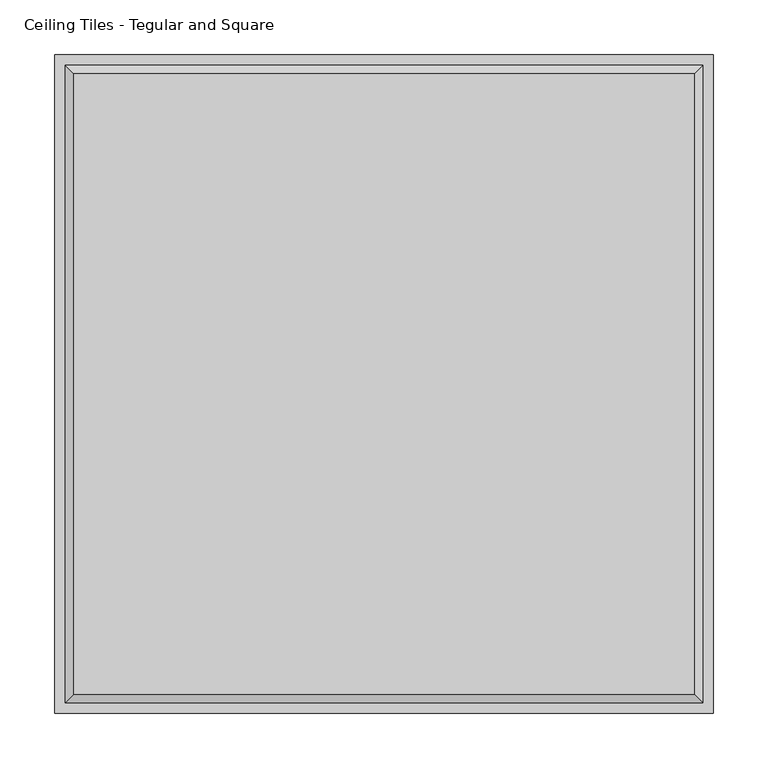
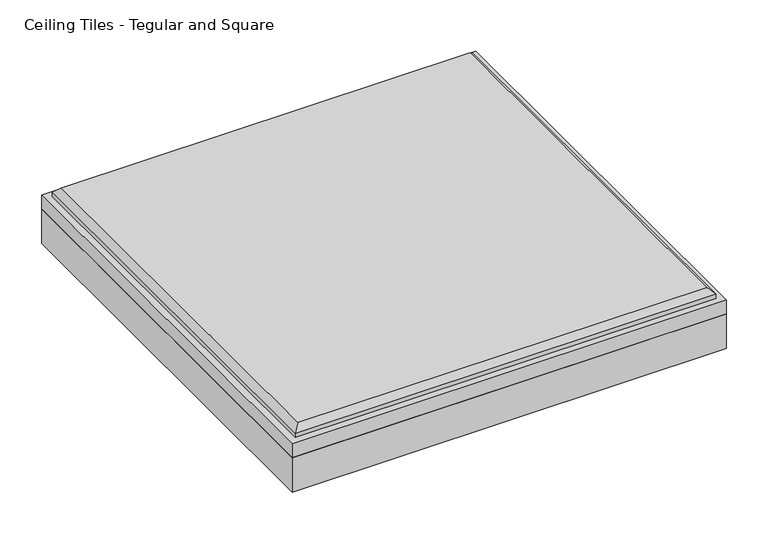
"""IFC4 building model written with IfcOpenShell, lengths in millimetres: proxy geometry, Ceiling Tiles - Tegular and Square."""

from ifc_helpers import new_model, si_unit, origin, origin_with_axes, place, context, project, spatial, polyline, outline, extrude, faceted_brep, source, transform, mapped, element, save


def ceiling_tiles_tegular_and_square_38d3a219(model_context):
    return source(origin(), model_context, "Body", "SolidModel", [
        extrude(outline(polyline([(301.625, 301.625), (301.625, -301.625), (-301.625, -301.625), (-301.625, 301.625), (301.625, 301.625)])), origin_with_axes(), (0.0, 0.0, 1.0), 50.8),
        faceted_brep([(284.099, 284.099, 85.725), (-284.099, 284.099, 85.725), (-284.099, -284.099, 85.725), (284.099, -284.099, 85.725), (-301.625, 301.625, 50.8), (301.625, 301.625, 50.8), (301.625, -301.625, 50.8), (-301.625, -301.625, 50.8), (-301.625, -301.625, 71.4375), (-301.625, 301.625, 71.4375), (301.625, -301.625, 71.4375), (301.625, 301.625, 71.4375), (292.1, 292.1, 77.724), (-292.1, 292.1, 77.724), (-292.1, -292.1, 77.724), (292.1, -292.1, 77.724), (292.1, 292.1, 71.4375), (-292.1, 292.1, 71.4375), (-292.1, -292.1, 71.4375), (292.1, -292.1, 71.4375)], [[[0, 1, 2, 3]], [[4, 5, 6, 7]], [[4, 7, 8, 9]], [[7, 6, 10, 8]], [[6, 5, 11, 10]], [[5, 4, 9, 11]], [[12, 13, 1, 0]], [[1, 13, 14, 2]], [[2, 14, 15, 3]], [[12, 0, 3, 15]], [[16, 17, 13, 12]], [[13, 17, 18, 14]], [[14, 18, 19, 15]], [[16, 12, 15, 19]], [[9, 8, 10, 11], [17, 16, 19, 18]]]),
    ])


if __name__ == "__main__":
    model = new_model("IFC4")
    model_context = context("Model", 3, world=origin())
    ifc_project = project(units=[si_unit("LENGTHUNIT", "METRE", prefix="MILLI")], contexts=[model_context])
    site = spatial("IfcSite", under=ifc_project)
    building = spatial("IfcBuilding", under=site)
    placement = place(None, origin())
    ceiling_tiles_tegular_and_square_shape = ceiling_tiles_tegular_and_square_38d3a219(model_context)
    element("IfcBuildingElementProxy", 1, Name="Ceiling Tiles - Tegular and Square", ObjectType="Ceiling Tiles - Tegular and Square", at=placement, inside=building, context=model_context, shape_type="MappedRepresentation", body=[
        mapped(ceiling_tiles_tegular_and_square_shape, transform((0.0, 0.0, 0.0), x_axis=(1.0, 0.0, 0.0), y_axis=(0.0, 1.0, 0.0), z_axis=(0.0, 0.0, 1.0))),
    ])
    save(model, "model.ifc")
